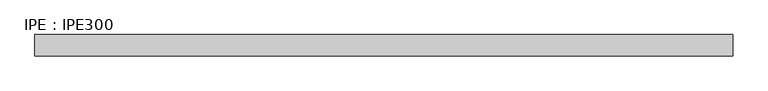
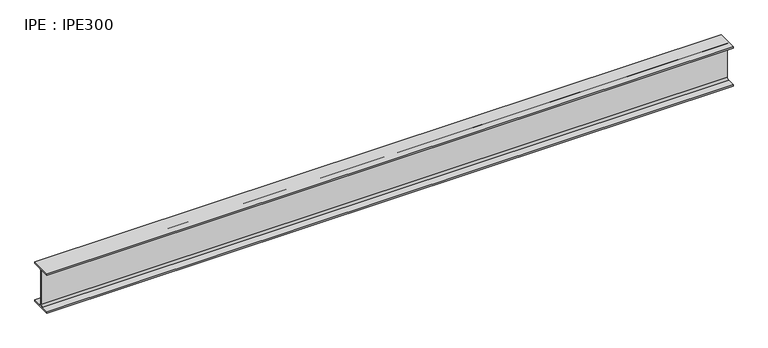
"""IFC4 building model written with IfcOpenShell, lengths in millimetres: beam geometry, IPE : IPE300."""

from ifc_helpers import new_model, si_unit, point, frame, frame_2d, origin, place, context, project, spatial, polyline, circle_curve, trimmed, segment, composite_curve, outline, extrude, source, transform, mapped, element, save


def ipe_ipe300_76a61b76(model_context):
    return source(origin(), model_context, "Body", "SweptSolid", [
        extrude(outline(composite_curve([segment(polyline([(75.0, -139.3), (75.0, -150.0), (-75.0, -150.0), (-75.0, -139.3), (-18.55, -139.3)]), True, "CONTINUOUS"), segment(trimmed(circle_curve(frame_2d((-18.55, -124.3)), 15.0), [point((-18.55, -139.3))], [point((-3.55, -124.3))], True, "CARTESIAN"), True, "CONTINUOUS"), segment(polyline([(-3.55, -124.3), (-3.55, 124.3)]), True, "CONTINUOUS"), segment(trimmed(circle_curve(frame_2d((-18.55, 124.3)), 15.0), [point((-3.55, 124.3))], [point((-18.55, 139.3))], True, "CARTESIAN"), True, "CONTINUOUS"), segment(polyline([(-18.55, 139.3), (-75.0, 139.3), (-75.0, 150.0), (75.0, 150.0), (75.0, 139.3), (18.55, 139.3)]), True, "CONTINUOUS"), segment(trimmed(circle_curve(frame_2d((18.55, 124.3)), 15.0), [point((18.55, 139.3))], [point((3.55, 124.3))], True, "CARTESIAN"), True, "CONTINUOUS"), segment(polyline([(3.55, 124.3), (3.55, -124.3)]), True, "CONTINUOUS"), segment(trimmed(circle_curve(frame_2d((18.55, -124.3)), 15.0), [point((3.55, -124.3))], [point((18.55, -139.3))], True, "CARTESIAN"), True, "CONTINUOUS"), segment(polyline([(18.55, -139.3), (75.0, -139.3)]), True, "CONTINUOUS")], self_intersect=False)), frame((-2500.0, 0.0, 0.0), z_axis=(1.0, 0.0, 0.0), x_axis=(0.0, 1.0, 0.0)), (0.0, 0.0, 1.0), 4930.1),
    ])


if __name__ == "__main__":
    model = new_model("IFC4")
    model_context = context("Model", 3, world=origin())
    ifc_project = project(units=[si_unit("LENGTHUNIT", "METRE", prefix="MILLI")], contexts=[model_context])
    site = spatial("IfcSite", under=ifc_project)
    building = spatial("IfcBuilding", under=site)
    placement = place(None, origin())
    ipe_ipe300_shape = ipe_ipe300_76a61b76(model_context)
    element("IfcBeam", 1, ObjectType="IPE : IPE300", at=placement, inside=building, context=model_context, shape_type="MappedRepresentation", body=[
        mapped(ipe_ipe300_shape, transform((0.0, 0.0, 0.0), x_axis=(1.0, 0.0, 0.0), y_axis=(0.0, 1.0, 0.0), z_axis=(0.0, 0.0, 1.0))),
    ])
    save(model, "model.ifc")
